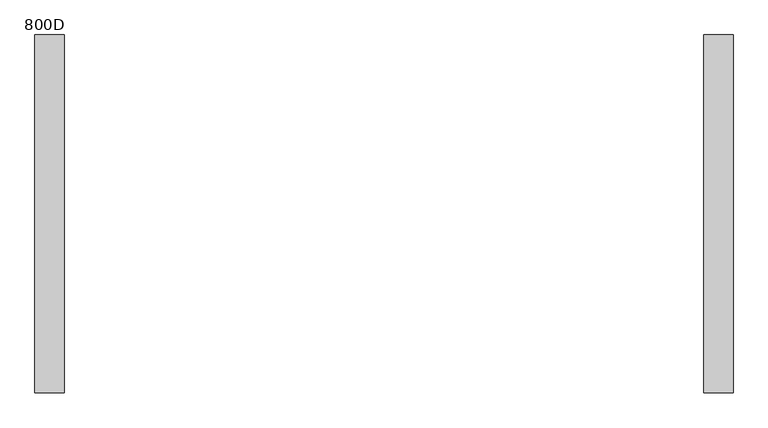
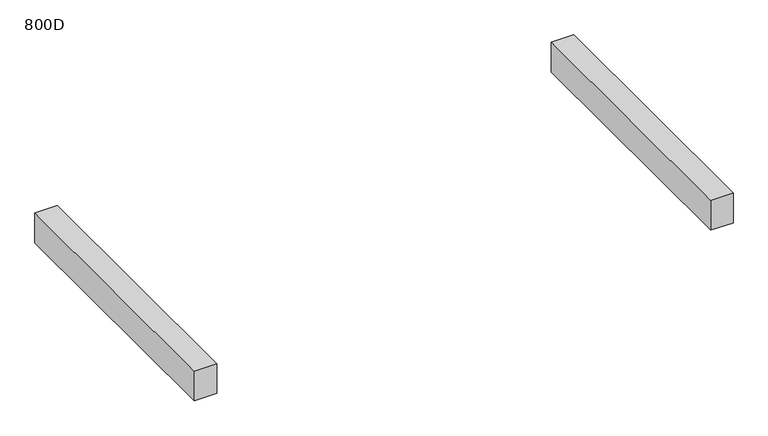
"""IFC4 building model written with IfcOpenShell, lengths in millimetres: furniture geometry, 800D."""

import ifcopenshell
import ifcopenshell.guid

model = None  # the IFC model being written
_history = None  # IfcOwnerHistory: only IFC2X3 demands one
_inside = {}  # id of a spatial element -> (the spatial element, [elements in it])
_under = {}  # id of a project, library or spatial element -> (it, [spatial elements below it])
_declared = {}  # id of a project -> (the project, [libraries it declares])
_typed = {}  # id of a type object -> (the type object, [elements of that type])
_made_of = {}  # id of a material, layer set ... -> (it, [elements and type objects made of it])


def new_model(schema):
    """Start an empty IFC model of exactly this schema.

    Asked for "IFC4X3", IfcOpenShell would pick the latest addendum, in which some entities
    have other attributes; the version numbers below select the first issue.
    IFC2X3 requires an IfcOwnerHistory on every rooted entity: one is made here for all.
    """
    global model, _history
    if schema == "IFC4X3":
        model = ifcopenshell.file(schema_version=(4, 3, 0, 0))
    else:
        model = ifcopenshell.file(schema=schema)
    _inside.clear()
    _under.clear()
    _declared.clear()
    _typed.clear()
    _made_of.clear()
    _history = None
    if model.schema == "IFC2X3":
        org = make("IfcOrganization", Name="unknown")
        user = make(
            "IfcPersonAndOrganization",
            ThePerson=make("IfcPerson", FamilyName="unknown"),
            TheOrganization=org,
        )
        app = make(
            "IfcApplication",
            ApplicationDeveloper=org,
            Version="unknown",
            ApplicationFullName="unknown",
            ApplicationIdentifier="unknown",
        )
        _history = make(
            "IfcOwnerHistory",
            OwningUser=user,
            OwningApplication=app,
            ChangeAction="ADDED",
            CreationDate=0,
        )
    return model


def make(cls, **values):
    """One entity of the class cls with the attributes given. An attribute that is None is left unset."""
    return model.create_entity(
        cls, **{name: value for name, value in values.items() if value is not None}
    )


def rooted(cls, **values):
    """An entity with a GlobalId (a new one), such as an element, a storey or a relation."""
    return make(cls, GlobalId=ifcopenshell.guid.new(), OwnerHistory=_history, **values)


def si_unit(unit_type, name, prefix=None):
    """IfcSIUnit, for example si_unit("LENGTHUNIT", "METRE", prefix="MILLI")."""
    return make("IfcSIUnit", UnitType=unit_type, Prefix=prefix, Name=name)


def assignment(units):
    """IfcUnitAssignment: the units of a project."""
    return None if units is None else make("IfcUnitAssignment", Units=units)


def point(xyz):
    """IfcCartesianPoint."""
    return None if xyz is None else make("IfcCartesianPoint", Coordinates=xyz)


def direction(xyz):
    """IfcDirection."""
    return None if xyz is None else make("IfcDirection", DirectionRatios=xyz)


def frame(location, z_axis=None, x_axis=None):
    """IfcAxis2Placement3D, a coordinate frame: its origin and axes. An axis left out is left unset."""
    return make(
        "IfcAxis2Placement3D",
        Location=point(location),
        Axis=direction(z_axis),
        RefDirection=direction(x_axis),
    )


def origin():
    """The frame at (0, 0, 0) with its axes left unset."""
    return frame((0.0, 0.0, 0.0))


def place(relative_to, where):
    """IfcLocalPlacement: puts the frame where relative to a parent placement (None: the world)."""
    return make(
        "IfcLocalPlacement", PlacementRelTo=relative_to, RelativePlacement=where
    )


def context(
    kind, dimensions, precision=None, world=None, true_north=None, identifier=None
):
    """IfcGeometricRepresentationContext, for example the 3D "Model" context."""
    return make(
        "IfcGeometricRepresentationContext",
        ContextIdentifier=identifier,
        ContextType=kind,
        CoordinateSpaceDimension=dimensions,
        Precision=precision,
        WorldCoordinateSystem=world,
        TrueNorth=true_north,
    )


def project(units=None, contexts=None):
    """IfcProject with its units and contexts."""
    return rooted(
        "IfcProject",
        Name="project",
        RepresentationContexts=contexts,
        UnitsInContext=assignment(units),
    )


def spatial(cls, under=None, at=None, **own):
    """A site, building, storey or space (cls), placed at a placement, below another one or the project."""
    s = rooted(cls, ObjectPlacement=at, **own)
    if under is not None:
        _under.setdefault(under.id(), (under, []))[1].append(s)
    return s


def polyline(points):
    """IfcPolyline through the points."""
    return make("IfcPolyline", Points=[point(p) for p in points])


def outline(outer, holes=None, kind="AREA"):
    """IfcArbitraryClosedProfileDef: a profile drawn as a closed curve; with holes, ...WithVoids."""
    if holes is None:
        return make("IfcArbitraryClosedProfileDef", ProfileType=kind, OuterCurve=outer)
    return make(
        "IfcArbitraryProfileDefWithVoids",
        ProfileType=kind,
        OuterCurve=outer,
        InnerCurves=holes,
    )


def extrude(swept, where, along, depth):
    """IfcExtrudedAreaSolid: the profile swept, set in the frame where, extruded along a direction by depth."""
    return make(
        "IfcExtrudedAreaSolid",
        SweptArea=swept,
        Position=where,
        ExtrudedDirection=direction(along),
        Depth=depth,
    )


def shape(context_of_items, identifier, shape_type, items):
    """IfcShapeRepresentation: the items that make up one representation, for example the "Body"."""
    return make(
        "IfcShapeRepresentation",
        ContextOfItems=context_of_items,
        RepresentationIdentifier=identifier,
        RepresentationType=shape_type,
        Items=items,
    )


def source(mapping_origin, context_of_items, identifier, shape_type, items):
    """IfcRepresentationMap: a shape defined once, which mapped items show again and again."""
    return make(
        "IfcRepresentationMap",
        MappingOrigin=mapping_origin,
        MappedRepresentation=shape(context_of_items, identifier, shape_type, items),
    )


def transform(
    local_origin,
    x_axis=None,
    y_axis=None,
    z_axis=None,
    scale=None,
    scale2=None,
    scale3=None,
    uniform=True,
):
    """IfcCartesianTransformationOperator3D, or its non-uniform kind. x_axis, y_axis, z_axis: its Axis1, 2, 3."""
    if uniform:
        return make(
            "IfcCartesianTransformationOperator3D",
            Axis1=direction(x_axis),
            Axis2=direction(y_axis),
            LocalOrigin=point(local_origin),
            Scale=scale,
            Axis3=direction(z_axis),
        )
    return make(
        "IfcCartesianTransformationOperator3DnonUniform",
        Axis1=direction(x_axis),
        Axis2=direction(y_axis),
        LocalOrigin=point(local_origin),
        Scale=scale,
        Axis3=direction(z_axis),
        Scale2=scale2,
        Scale3=scale3,
    )


def mapped(mapping_source, mapping_target):
    """IfcMappedItem: shows the shape of a source again, moved by a transform."""
    return make(
        "IfcMappedItem", MappingSource=mapping_source, MappingTarget=mapping_target
    )


def made_of(thing, what):
    """Note that an element or type object is made of a material, layer set ...; save() writes the relation."""
    if what is not None:
        _made_of.setdefault(what.id(), (what, []))[1].append(thing)
    return thing


def element(
    cls,
    number,
    at=None,
    inside=None,
    cuts=None,
    type_object=None,
    material=None,
    context=None,
    identifier="Body",
    shape_type=None,
    held_by="IfcProductDefinitionShape",
    body=None,
    shapes=None,
    **own,
):
    """One element of the class cls, such as IfcWall. Its Tag is "e" and its number.

    at: its placement. inside: the storey or other place that contains it. cuts: it is an
    opening in that element (IfcRelVoidsElement). A single representation is given by context,
    identifier, shape_type and body (its items); several are given by shapes. held_by: the class
    of the entity that holds the representations. save() writes the other relations.
    """
    e = rooted(cls, Tag="e%d" % number, ObjectPlacement=at, **own)
    if body is not None:
        shapes = [shape(context, identifier, shape_type, body)]
    if shapes is not None:
        e.Representation = make(held_by, Representations=shapes)
    if inside is not None:
        _inside.setdefault(inside.id(), (inside, []))[1].append(e)
    if cuts is not None:
        rooted(
            "IfcRelVoidsElement", RelatingBuildingElement=cuts, RelatedOpeningElement=e
        )
    if type_object is not None:
        _typed.setdefault(type_object.id(), (type_object, []))[1].append(e)
    return made_of(e, material)


def aggregate(whole, parts):
    """IfcRelAggregates: a whole, such as a stair, and the parts it consists of."""
    return rooted("IfcRelAggregates", RelatingObject=whole, RelatedObjects=parts)


def save(model, path):
    """Write the relations noted so far, then the file.

    IfcRelAggregates (storeys below a building ...), IfcRelContainedInSpatialStructure (elements
    in a storey), IfcRelDefinesByType, IfcRelAssociatesMaterial and IfcRelDeclares: one each for
    every whole, place, type object, material and project.
    """
    for whole, parts in _under.values():
        aggregate(whole, parts)
    for where, things in _inside.values():
        rooted(
            "IfcRelContainedInSpatialStructure",
            RelatedElements=things,
            RelatingStructure=where,
        )
    for kind, things in _typed.values():
        rooted("IfcRelDefinesByType", RelatedObjects=things, RelatingType=kind)
    for what, things in _made_of.values():
        rooted("IfcRelAssociatesMaterial", RelatedObjects=things, RelatingMaterial=what)
    for by, libraries in _declared.values():
        rooted("IfcRelDeclares", RelatingContext=by, RelatedDefinitions=libraries)
    model.write(path)


def furniture_800d_736ced58(model_context):
    return source(origin(), model_context, "Body", "SweptSolid", [
        extrude(outline(polyline([(-659.9999968, -369.0), (-720.0, -369.0), (-720.0, 369.0), (-659.9999968, 369.0), (-659.9999968, -369.0)])), frame((0.0, 0.0, 435.0), z_axis=(0.0, 0.0, 1.0), x_axis=(1.0, 0.0, 0.0)), (0.0, 0.0, 1.0), 84.0),
        extrude(outline(polyline([(720.0, -369.0), (659.9999968, -369.0), (659.9999968, 369.0), (720.0, 369.0), (720.0, -369.0)])), frame((0.0, 0.0, 435.0), z_axis=(0.0, 0.0, 1.0), x_axis=(1.0, 0.0, 0.0)), (0.0, 0.0, 1.0), 84.0),
    ])


if __name__ == "__main__":
    model = new_model("IFC4")
    model_context = context("Model", 3, world=origin())
    ifc_project = project(units=[si_unit("LENGTHUNIT", "METRE", prefix="MILLI")], contexts=[model_context])
    site = spatial("IfcSite", under=ifc_project)
    building = spatial("IfcBuilding", under=site)
    placement = place(None, origin())
    furniture_800d_shape = furniture_800d_736ced58(model_context)
    element("IfcFurniture", 1, ObjectType="800D", at=placement, inside=building, context=model_context, shape_type="MappedRepresentation", body=[
        mapped(furniture_800d_shape, transform((0.0, 0.0, 0.0), x_axis=(1.0, 0.0, 0.0), y_axis=(0.0, 1.0, 0.0), z_axis=(0.0, 0.0, 1.0))),
    ])
    save(model, "model.ifc")
